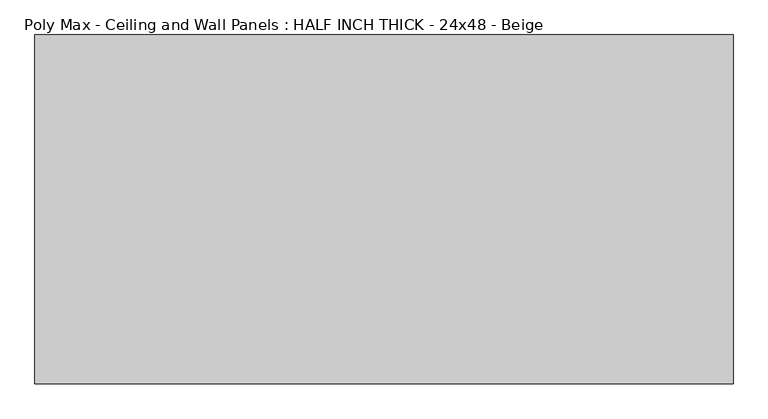
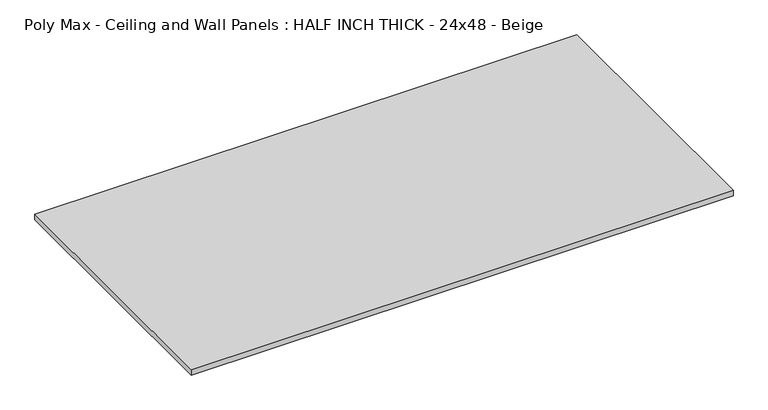
"""IFC4 building model written with IfcOpenShell, lengths in millimetres: proxy geometry, Poly Max - Ceiling and Wall Panels : HALF INCH THICK - 24x48 - Beige."""

from ifc_helpers import new_model, si_unit, origin, origin_with_axes, place, context, project, spatial, polyline, outline, extrude, source, transform, mapped, element, save


def poly_max_ceiling_and_wall_panels_half_inch_thick_24x48_beige_80974cae(model_context):
    return source(origin(), model_context, "Body", "SweptSolid", [
        extrude(outline(polyline([(-609.6, 304.8), (609.6, 304.8), (609.6, -304.8), (-609.6, -304.8), (-609.6, 304.8)])), origin_with_axes(), (0.0, 0.0, 1.0), 12.7),
    ])


if __name__ == "__main__":
    model = new_model("IFC4")
    model_context = context("Model", 3, world=origin())
    ifc_project = project(units=[si_unit("LENGTHUNIT", "METRE", prefix="MILLI")], contexts=[model_context])
    site = spatial("IfcSite", under=ifc_project)
    building = spatial("IfcBuilding", under=site)
    placement = place(None, origin())
    poly_max_ceiling_and_wall_panels_half_inch_thick_24x48_beige_shape = poly_max_ceiling_and_wall_panels_half_inch_thick_24x48_beige_80974cae(model_context)
    element("IfcBuildingElementProxy", 1, Name="Poly Max - Ceiling and Wall Panels : HALF INCH THICK - 24x48 - Beige", ObjectType="Poly Max - Ceiling and Wall Panels : HALF INCH THICK - 24x48 - Beige", at=placement, inside=building, context=model_context, shape_type="MappedRepresentation", body=[
        mapped(poly_max_ceiling_and_wall_panels_half_inch_thick_24x48_beige_shape, transform((0.0, 0.0, 0.0), x_axis=(1.0, 0.0, 0.0), y_axis=(0.0, 1.0, 0.0), z_axis=(0.0, 0.0, 1.0))),
    ])
    save(model, "model.ifc")
